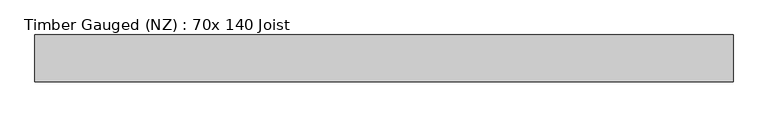
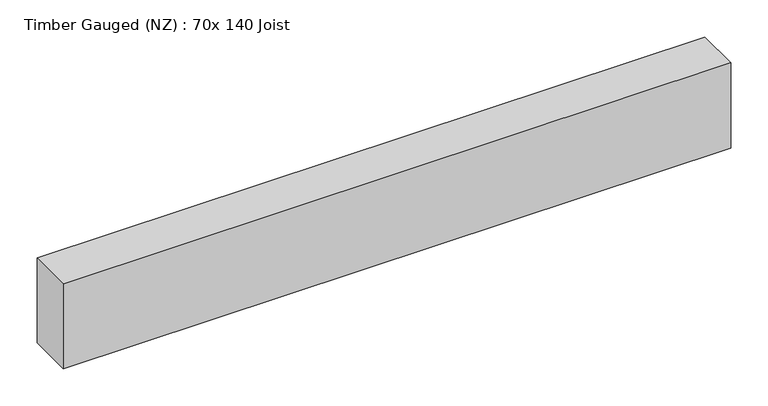
"""IFC4 building model written with IfcOpenShell, lengths in millimetres: beam geometry, Timber Gauged (NZ) : 70x 140 Joist."""

from ifc_helpers import new_model, si_unit, frame, origin, place, context, project, spatial, polyline, outline, extrude, source, transform, mapped, element, save


def timber_gauged_nz_70x_140_joist_1d63f6f1(model_context):
    return source(origin(), model_context, "Body", "SweptSolid", [
        extrude(outline(polyline([(581.9286958, 35.0), (581.9286958, -35.0), (-456.3149721, -35.0), (-456.3149721, 35.0), (581.9286958, 35.0)])), frame((0.0, 0.0, -70.0), z_axis=(0.0, 0.0, 1.0), x_axis=(1.0, 0.0, 0.0)), (0.0, 0.0, 1.0), 140.0),
    ])


if __name__ == "__main__":
    model = new_model("IFC4")
    model_context = context("Model", 3, world=origin())
    ifc_project = project(units=[si_unit("LENGTHUNIT", "METRE", prefix="MILLI")], contexts=[model_context])
    site = spatial("IfcSite", under=ifc_project)
    building = spatial("IfcBuilding", under=site)
    placement = place(None, origin())
    timber_gauged_nz_70x_140_joist_shape = timber_gauged_nz_70x_140_joist_1d63f6f1(model_context)
    element("IfcBeam", 1, ObjectType="Timber Gauged (NZ) : 70x 140 Joist", at=placement, inside=building, context=model_context, shape_type="MappedRepresentation", body=[
        mapped(timber_gauged_nz_70x_140_joist_shape, transform((0.0, 0.0, 0.0), x_axis=(1.0, 0.0, 0.0), y_axis=(0.0, 1.0, 0.0), z_axis=(0.0, 0.0, 1.0))),
    ])
    save(model, "model.ifc")
